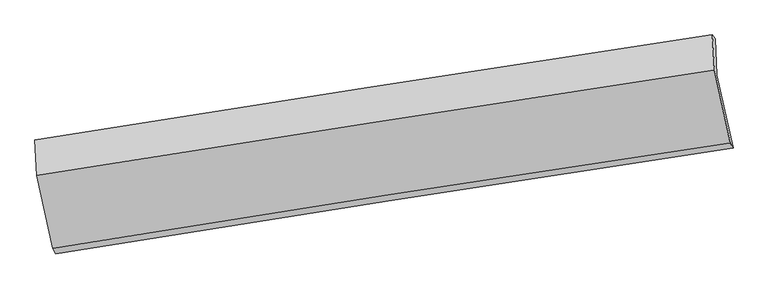
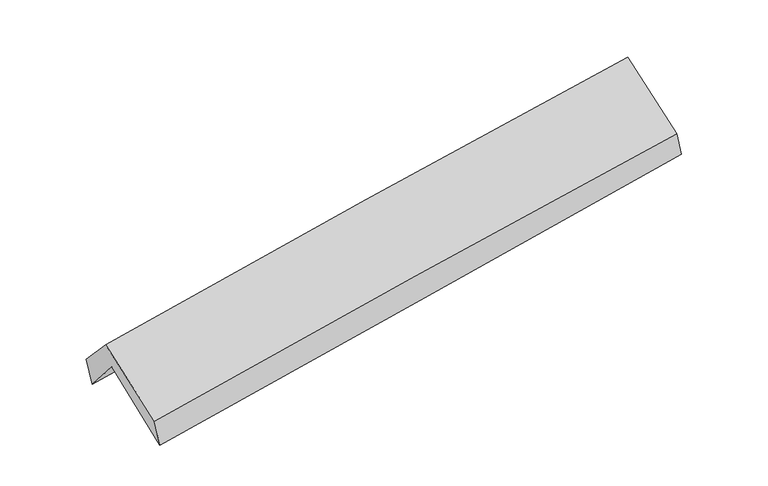
"""IFC4 building model written with IfcOpenShell, lengths in millimetres: proxy geometry."""

from ifc_helpers import new_model, si_unit, frame, origin, place, context, project, spatial, source, transform, mapped, element, save
from ifc_brep_helpers import plane_surface, spline_curve, spline_surface, advanced_brep


def generic_models_eefed8d6(model_context):
    return source(origin(), model_context, "Body", "AdvancedBrep", [
        advanced_brep(
        [(-2290.7426442, -2464.4969524, 1480.6394246), (-2400.9265235, -1966.9896744, 1901.6417123), (2339.3042301, -1211.8120503, 2352.8187192), (2454.1032931, -1723.1686406, 1915.3920695), (-2414.3192602, -1708.8618412, 1596.4215813), (2327.4606297, -955.6466413, 2032.6612578), (-2437.5181784, -1666.6534852, 1797.8286635), (2308.9072794, -928.3476065, 2202.7443964), (-2422.9479729, -1915.6691808, 2072.533528), (2323.5114338, -1177.3581623, 2477.4521172), (-2312.8315273, -2426.2506417, 1675.911856), (2434.7049121, -1687.7765631, 2080.9210629)],
        [
            (0, 1),
            (1, 2, spline_curve(3, [(-2400.9265235, -1966.9896744, 1901.6417123), (-1609.417624371, -1841.90802355, 1965.959789572), (-818.441297716, -1716.403184302, 2035.739030147), (761.634527067, -1464.676441119, 2186.142576076), (1550.73511814, -1338.455405489, 2266.755670828), (2339.3042301, -1211.8120503, 2352.8187192)], [4, 2, 4], [0.0, 7.91362699618753, 15.819127719498674])),
            (2, 3),
            (3, 0, spline_curve(3, [(2454.1032931, -1723.1686406, 1915.3920695), (1663.634127244, -1842.827003665, 1837.573955329), (873.198817461, -1964.400825053, 1762.452736167), (-708.416564379, -2211.506322237, 1617.529640558), (-1499.596567195, -2337.04193834, 1547.733311528), (-2290.7426442, -2464.4969524, 1480.6394246)], [4, 2, 4], [0.0, 7.905500723311144, 15.819127719498674])),
            (1, 4),
            (4, 5, spline_curve(3, [(-2414.3192602, -1708.8618412, 1596.4215813), (-1623.0740969, -1583.453393223, 1663.232621067), (-832.100342947, -1457.948942774, 1733.011645702), (748.492396558, -1206.87701247, 1878.430963714), (1538.111939338, -1081.309729636, 1954.065164256), (2327.4606297, -955.6466413, 2032.6612578)], [4, 2, 4], [0.0, 7.91278966737748, 15.81745392170712])),
            (5, 2),
            (4, 6),
            (6, 7, spline_curve(3, [(-2437.5181784, -1666.6534852, 1797.8286635), (-1647.148326966, -1538.771407304, 1869.86003366), (-856.224475711, -1413.274497453, 1939.634871389), (725.918480778, -1167.177433806, 2074.602150631), (1517.136448712, -1046.57238413, 2139.799223617), (2308.9072794, -928.3476065, 2202.7443964)], [4, 2, 4], [0.0, 7.912114395698003, 15.81610407176497])),
            (7, 5),
            (6, 8),
            (8, 9, spline_curve(3, [(-2422.9479729, -1915.6691808, 2072.533528), (-1632.571044369, -1787.786034954, 2144.565490455), (-841.640824202, -1662.288162844, 2214.340862667), (740.513447056, -1416.189386294, 2349.309093864), (1531.736362634, -1295.583585483, 2414.506584511), (2323.5114338, -1177.3581623, 2477.4521172)], [4, 2, 4], [0.0, 7.9118804977294115, 15.815636516010793])),
            (9, 7),
            (8, 10),
            (10, 11, spline_curve(3, [(-2312.8315273, -2426.2506417, 1675.911856), (-1522.230073664, -2298.333621229, 1747.96261359), (-731.097803934, -2172.805218052, 1817.754937856), (851.415432389, -1926.652095004, 1952.75337116), (1642.795308837, -1806.022471918, 2017.964115752), (2434.7049121, -1687.7765631, 2080.9210629)], [4, 2, 4], [0.0, 7.912805757287887, 15.817486085005676])),
            (11, 9),
            (10, 0),
            (3, 11),
        ],
        [
            spline_surface(3, 3, [[(-2290.7426442, -2464.4969524, 1480.6394246), (-1499.59656715, -2337.041938208, 1547.733311505), (-708.416564486, -2211.506322318, 1617.529640582), (873.198817568, -1964.400824972, 1762.452736143), (1663.634127373, -1842.827003602, 1837.573955381), (2454.1032931, -1723.1686406, 1915.3920695)], [(-2327.470603969, -2298.661193066, 1620.973520491), (-1536.203586222, -2171.997299997, 1687.142137533), (-745.091475564, -2046.471943006, 1756.932770467), (836.010720693, -1797.826030318, 1903.682682744), (1626.001124323, -1674.703137573, 1980.634527244), (2415.836938785, -1552.716443837, 2061.200952746)], [(-2364.198563731, -2132.825433734, 1761.307616409), (-1572.810605287, -2006.952661789, 1826.55096359), (-781.766386579, -1881.437563709, 1896.335900372), (798.822623882, -1631.251235679, 2044.912629364), (1588.368121217, -1506.579271534, 2123.695099069), (2377.570584415, -1382.264247063, 2207.009835954)], [(-2400.9265235, -1966.9896744, 1901.6417123), (-1609.417624359, -1841.908023578, 1965.959789619), (-818.441297657, -1716.403184397, 2035.739030257), (761.634527008, -1464.676441024, 2186.142575965), (1550.735118167, -1338.455405504, 2266.755670931), (2339.3042301, -1211.8120503, 2352.8187192)]], [4, 4], [4, 2, 4], [0.0, 2.168557114716718], [0.0, 7.91362699618753, 15.819127719498674]),
            spline_surface(3, 3, [[(-2400.9265235, -1966.9896744, 1901.6417123), (-1609.417624359, -1841.908023578, 1965.959789619), (-818.441297657, -1716.403184397, 2035.739030257), (761.634527008, -1464.676441024, 2186.142575965), (1550.735118167, -1338.455405504, 2266.755670931), (2339.3042301, -1211.8120503, 2352.8187192)], [(-2405.390769083, -1880.947063345, 1799.901668625), (-1613.96978186, -1755.756480138, 1865.050733412), (-822.994312752, -1630.251770544, 1934.829902099), (757.253816863, -1378.743298168, 2083.572038525), (1546.527391871, -1252.740180186, 2162.525502066), (2335.356363283, -1126.423580624, 2246.099565394)], [(-2409.855014617, -1794.904452255, 1698.161624975), (-1618.521939314, -1669.604936662, 1764.141677232), (-827.547327857, -1544.100356666, 1833.920773936), (752.873106709, -1292.810155287, 1981.001501079), (1542.319665626, -1167.024954896, 2058.29533322), (2331.408496517, -1041.035110976, 2139.380411606)], [(-2414.3192602, -1708.8618412, 1596.4215813), (-1623.074096815, -1583.453393221, 1663.232621026), (-832.100342952, -1457.948942813, 1733.011645778), (748.492396564, -1206.87701243, 1878.430963639), (1538.111939331, -1081.309729578, 1954.065164355), (2327.4606297, -955.6466413, 2032.6612578)]], [4, 4], [4, 2, 4], [0.0, 1.3121989750396366], [0.0, 7.91278966737748, 15.81745392170712]),
            spline_surface(3, 3, [[(-2414.3192602, -1708.8618412, 1596.4215813), (-1623.074096815, -1583.453393221, 1663.232621026), (-832.100342952, -1457.948942813, 1733.011645778), (748.492396564, -1206.87701243, 1878.430963639), (1538.111939331, -1081.309729578, 1954.065164355), (2327.4606297, -955.6466413, 2032.6612578)], [(-2422.052232935, -1694.792389203, 1663.557275373), (-1631.098840184, -1568.559397887, 1732.108425218), (-840.141720529, -1443.05746101, 1801.886054358), (740.967757975, -1193.643819564, 1943.821359273), (1531.120109168, -1069.730614429, 2015.97651742), (2321.276179622, -946.546963048, 2089.355637333)], [(-2429.785205665, -1680.722937197, 1730.692969427), (-1639.123583549, -1553.665402542, 1800.984229389), (-848.18309813, -1428.165979219, 1870.760462919), (733.443119362, -1180.41062671, 2009.211754886), (1524.128278941, -1058.151499236, 2077.887870486), (2315.091729478, -937.447284752, 2146.050016867)], [(-2437.5181784, -1666.6534852, 1797.8286635), (-1647.148326918, -1538.771407208, 1869.860033581), (-856.224475707, -1413.274497415, 1939.634871499), (725.918480773, -1167.177433844, 2074.602150521), (1517.136448779, -1046.572384087, 2139.799223551), (2308.9072794, -928.3476065, 2202.7443964)]], [4, 4], [4, 2, 4], [0.0, 0.6794441936747796], [0.0, 7.912114395698003, 15.81610407176497]),
            spline_surface(3, 3, [[(-2437.5181784, -1666.6534852, 1797.8286635), (-1647.148326918, -1538.771407208, 1869.860033581), (-856.224475707, -1413.274497415, 1939.634871499), (725.918480773, -1167.177433844, 2074.602150521), (1517.136448779, -1046.572384087, 2139.799223551), (2308.9072794, -928.3476065, 2202.7443964)], [(-2432.661443206, -1749.658717056, 1889.396951657), (-1642.289232666, -1621.776283146, 1961.428519217), (-851.363258542, -1496.279052568, 2031.203535248), (730.783469538, -1250.181417984, 2166.171131599), (1522.003086715, -1129.576117928, 2231.368343886), (2313.775330848, -1011.351125102, 2294.313636666)], [(-2427.804708094, -1832.663948944, 1980.965239843), (-1637.430138497, -1704.781159117, 2052.997004881), (-846.502041378, -1579.283607721, 2122.772199012), (735.648458302, -1333.185402125, 2257.740112692), (1526.869724707, -1212.579851763, 2322.937464223), (2318.643382352, -1094.354643698, 2385.882876934)], [(-2422.9479729, -1915.6691808, 2072.533528), (-1632.571044245, -1787.786035055, 2144.565490517), (-841.640824213, -1662.288162873, 2214.34086276), (740.513447067, -1416.189386265, 2349.309093771), (1531.736362644, -1295.583585604, 2414.506584558), (2323.5114338, -1177.3581623, 2477.4521172)]], [4, 4], [4, 2, 4], [0.0, 1.217381141432455], [0.0, 7.9118804977294115, 15.815636516010793]),
            spline_surface(3, 3, [[(-2422.9479729, -1915.6691808, 2072.533528), (-1632.571044245, -1787.786035055, 2144.565490517), (-841.640824213, -1662.288162873, 2214.34086276), (740.513447067, -1416.189386265, 2349.309093771), (1531.736362644, -1295.583585604, 2414.506584558), (2323.5114338, -1177.3581623, 2477.4521172)], [(-2386.242491051, -2085.86300111, 1940.32630401), (-1595.790720715, -1957.968563793, 2012.364531585), (-804.793150742, -1832.460514622, 2082.145554492), (777.480775471, -1586.343622508, 2217.123852872), (1568.756011418, -1465.729881042, 2282.325761626), (2360.575926582, -1347.497629227, 2345.275099102)], [(-2349.537009149, -2256.05682139, 1808.11907999), (-1559.010397132, -2128.1510925, 1880.163572623), (-767.945477283, -2002.632866343, 1949.950246216), (814.448103862, -1756.497858722, 2084.938611966), (1605.775660146, -1635.876176497, 2150.144938688), (2397.640419318, -1517.637096173, 2213.098080998)], [(-2312.8315273, -2426.2506417, 1675.911856), (-1522.230073601, -2298.333621239, 1747.96261369), (-731.097803812, -2172.805218092, 1817.754937948), (851.415432266, -1926.652094965, 1952.753371068), (1642.79530892, -1806.022471934, 2017.964115756), (2434.7049121, -1687.7765631, 2080.9210629)]], [4, 4], [4, 2, 4], [0.0, 2.151710301033221], [0.0, 7.912805757287887, 15.817486085005676]),
            spline_surface(3, 3, [[(-2312.8315273, -2426.2506417, 1675.911856), (-1522.230073601, -2298.333621239, 1747.96261369), (-731.097803812, -2172.805218092, 1817.754937948), (851.415432266, -1926.652094965, 1952.753371068), (1642.79530892, -1806.022471934, 2017.964115756), (2434.7049121, -1687.7765631, 2080.9210629)], [(-2305.468566257, -2438.99941192, 1610.821045544), (-1514.685571441, -2311.236393548, 1681.219512972), (-723.537390698, -2185.705586159, 1751.01317216), (858.676560705, -1939.235004959, 1889.319826093), (1649.741581717, -1818.290649152, 1957.83406229), (2441.17103908, -1699.573922261, 2025.744731759)], [(-2298.105605243, -2451.74818218, 1545.730235056), (-1507.14106931, -2324.139165898, 1614.476412223), (-715.9769776, -2198.605954251, 1684.271406371), (865.937689128, -1951.817914978, 1825.886281118), (1656.687854576, -1830.558826385, 1897.704008847), (2447.63716612, -1711.371281439, 1970.568400641)], [(-2290.7426442, -2464.4969524, 1480.6394246), (-1499.59656715, -2337.041938208, 1547.733311505), (-708.416564486, -2211.506322318, 1617.529640582), (873.198817568, -1964.400824972, 1762.452736143), (1663.634127373, -1842.827003602, 1837.573955381), (2454.1032931, -1723.1686406, 1915.3920695)]], [4, 4], [4, 2, 4], [0.0, 0.656865552097466], [0.0, 7.91393053886912, 15.819734493162724]),
            plane_surface(frame((2364.6652964, -1280.684944, 2176.9982705), z_axis=(0.9851888072856618, 0.14981198938587736, 0.08342290953509794), x_axis=(0.16954326966514274, -0.7782651091813017, -0.6046143395109558))),
            plane_surface(frame((-2379.8810178, -2024.820296, 1754.1627943), z_axis=(-0.9854689109684382, -0.14854080081486423, -0.08238116294371745), x_axis=(-0.11033135429418105, 0.19103579060281475, 0.975362660228681))),
        ],
        [
            (0, [[1, 2, 3, 4]]),
            (1, [[5, 6, 7, -2]]),
            (2, [[8, 9, 10, -6]]),
            (3, [[11, 12, 13, -9]]),
            (4, [[14, 15, 16, -12]]),
            (5, [[17, -4, 18, -15]]),
            (6, [[-16, -18, -3, -7, -10, -13]]),
            (7, [[-17, -14, -11, -8, -5, -1]]),
        ],
    ),
    ])


if __name__ == "__main__":
    model = new_model("IFC4")
    model_context = context("Model", 3, world=origin())
    ifc_project = project(units=[si_unit("LENGTHUNIT", "METRE", prefix="MILLI")], contexts=[model_context])
    site = spatial("IfcSite", under=ifc_project)
    building = spatial("IfcBuilding", under=site)
    placement = place(None, origin())
    generic_models_shape = generic_models_eefed8d6(model_context)
    element("IfcBuildingElementProxy", 1, Name="Generic Models", at=placement, inside=building, context=model_context, shape_type="MappedRepresentation", body=[
        mapped(generic_models_shape, transform((0.0, 0.0, 0.0), x_axis=(1.0, 0.0, 0.0), y_axis=(0.0, 1.0, 0.0), z_axis=(0.0, 0.0, 1.0))),
    ])
    save(model, "model.ifc")
